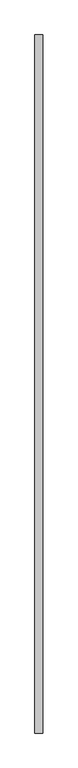
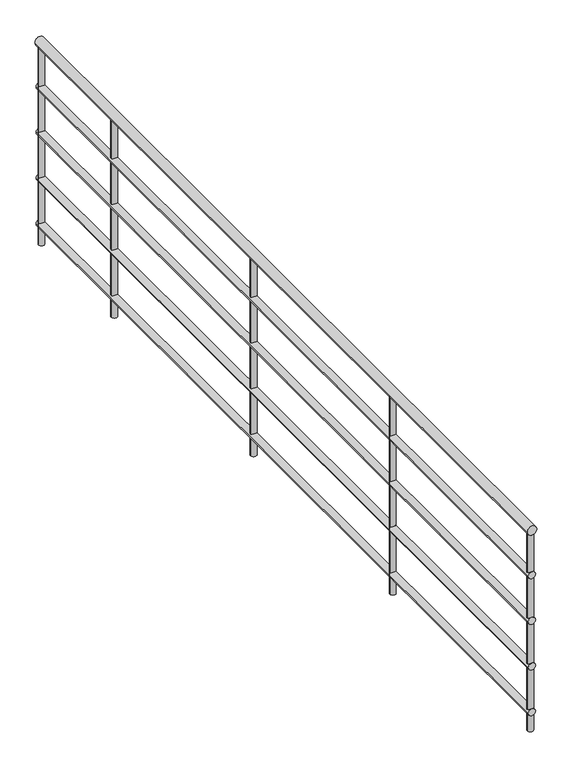
"""IFC4 building model written with IfcOpenShell, lengths in millimetres: railing geometry."""

from ifc_helpers import new_model, si_unit, point, frame, frame_2d, origin, place, context, project, spatial, circle_curve, trimmed, segment, composite_curve, outline, extrude, source, transform, mapped, element, save


def railing_6916b8ec(model_context):
    return source(origin(), model_context, "Body", "SweptSolid", [
        extrude(outline(composite_curve([segment(trimmed(circle_curve(frame_2d((4180.0, 9756.4990812)), 20.0), [point((4180.0, 9776.4990812))], [point((4180.0, 9736.4990812))], False, "CARTESIAN"), True, "CONTINUOUS"), segment(trimmed(circle_curve(frame_2d((4180.0, 9756.4990812)), 20.0), [point((4180.0, 9736.4990812))], [point((4180.0, 9776.4990812))], False, "CARTESIAN"), True, "CONTINUOUS")], self_intersect=False)), frame((0.0, -3090.9936465, 0.0), z_axis=(0.0, 1.0, 0.0), x_axis=(0.0, 0.0, 1.0)), (0.0, 0.0, 1.0), 3534.5485897),
        extrude(outline(composite_curve([segment(trimmed(circle_curve(frame_2d((3985.0, 9756.4990812)), 15.0), [point((3985.0, 9771.4990812))], [point((3985.0, 9741.4990812))], False, "CARTESIAN"), True, "CONTINUOUS"), segment(trimmed(circle_curve(frame_2d((3985.0, 9756.4990812)), 15.0), [point((3985.0, 9741.4990812))], [point((3985.0, 9771.4990812))], False, "CARTESIAN"), True, "CONTINUOUS")], self_intersect=False)), frame((0.0, -3090.9936465, 0.0), z_axis=(0.0, 1.0, 0.0), x_axis=(0.0, 0.0, 1.0)), (0.0, 0.0, 1.0), 3534.5485897),
        extrude(outline(composite_curve([segment(trimmed(circle_curve(frame_2d((3785.0, 9756.4990812)), 15.0), [point((3785.0, 9771.4990812))], [point((3785.0, 9741.4990812))], False, "CARTESIAN"), True, "CONTINUOUS"), segment(trimmed(circle_curve(frame_2d((3785.0, 9756.4990812)), 15.0), [point((3785.0, 9741.4990812))], [point((3785.0, 9771.4990812))], False, "CARTESIAN"), True, "CONTINUOUS")], self_intersect=False)), frame((0.0, -3090.9936465, 0.0), z_axis=(0.0, 1.0, 0.0), x_axis=(0.0, 0.0, 1.0)), (0.0, 0.0, 1.0), 3534.5485897),
        extrude(outline(composite_curve([segment(trimmed(circle_curve(frame_2d((3585.0, 9756.4990812)), 15.0), [point((3585.0, 9771.4990812))], [point((3585.0, 9741.4990812))], False, "CARTESIAN"), True, "CONTINUOUS"), segment(trimmed(circle_curve(frame_2d((3585.0, 9756.4990812)), 15.0), [point((3585.0, 9741.4990812))], [point((3585.0, 9771.4990812))], False, "CARTESIAN"), True, "CONTINUOUS")], self_intersect=False)), frame((0.0, -3090.9936465, 0.0), z_axis=(0.0, 1.0, 0.0), x_axis=(0.0, 0.0, 1.0)), (0.0, 0.0, 1.0), 3534.5485897),
        extrude(outline(composite_curve([segment(trimmed(circle_curve(frame_2d((3385.0, 9756.4990812)), 15.0), [point((3385.0, 9771.4990812))], [point((3385.0, 9741.4990812))], False, "CARTESIAN"), True, "CONTINUOUS"), segment(trimmed(circle_curve(frame_2d((3385.0, 9756.4990812)), 15.0), [point((3385.0, 9741.4990812))], [point((3385.0, 9771.4990812))], False, "CARTESIAN"), True, "CONTINUOUS")], self_intersect=False)), frame((0.0, -3090.9936465, 0.0), z_axis=(0.0, 1.0, 0.0), x_axis=(0.0, 0.0, 1.0)), (0.0, 0.0, 1.0), 3534.5485897),
        extrude(outline(composite_curve([segment(trimmed(circle_curve(frame_2d((9756.4990812, -90.9936465)), 12.5), [point((9768.9990812, -90.9936465))], [point((9743.9990812, -90.9936465))], False, "CARTESIAN"), True, "CONTINUOUS"), segment(trimmed(circle_curve(frame_2d((9756.4990812, -90.9936465)), 12.5), [point((9743.9990812, -90.9936465))], [point((9768.9990812, -90.9936465))], False, "CARTESIAN"), True, "CONTINUOUS")], self_intersect=False)), frame((0.0, 0.0, 3300.0), z_axis=(0.0, 0.0, 1.0), x_axis=(1.0, 0.0, 0.0)), (0.0, 0.0, 1.0), 860.0),
        extrude(outline(composite_curve([segment(trimmed(circle_curve(frame_2d((9756.4990812, -1090.9936465)), 12.5), [point((9768.9990812, -1090.9936465))], [point((9743.9990812, -1090.9936465))], False, "CARTESIAN"), True, "CONTINUOUS"), segment(trimmed(circle_curve(frame_2d((9756.4990812, -1090.9936465)), 12.5), [point((9743.9990812, -1090.9936465))], [point((9768.9990812, -1090.9936465))], False, "CARTESIAN"), True, "CONTINUOUS")], self_intersect=False)), frame((0.0, 0.0, 3300.0), z_axis=(0.0, 0.0, 1.0), x_axis=(1.0, 0.0, 0.0)), (0.0, 0.0, 1.0), 860.0),
        extrude(outline(composite_curve([segment(trimmed(circle_curve(frame_2d((9756.4990812, -2090.9936465)), 12.5), [point((9768.9990812, -2090.9936465))], [point((9743.9990812, -2090.9936465))], False, "CARTESIAN"), True, "CONTINUOUS"), segment(trimmed(circle_curve(frame_2d((9756.4990812, -2090.9936465)), 12.5), [point((9743.9990812, -2090.9936465))], [point((9768.9990812, -2090.9936465))], False, "CARTESIAN"), True, "CONTINUOUS")], self_intersect=False)), frame((0.0, 0.0, 3300.0), z_axis=(0.0, 0.0, 1.0), x_axis=(1.0, 0.0, 0.0)), (0.0, 0.0, 1.0), 860.0),
        extrude(outline(composite_curve([segment(trimmed(circle_curve(frame_2d((9756.4990812, 431.0549432)), 12.5), [point((9768.9990812, 431.0549432))], [point((9743.9990812, 431.0549432))], False, "CARTESIAN"), True, "CONTINUOUS"), segment(trimmed(circle_curve(frame_2d((9756.4990812, 431.0549432)), 12.5), [point((9743.9990812, 431.0549432))], [point((9768.9990812, 431.0549432))], False, "CARTESIAN"), True, "CONTINUOUS")], self_intersect=False)), frame((0.0, 0.0, 3300.0), z_axis=(0.0, 0.0, 1.0), x_axis=(1.0, 0.0, 0.0)), (0.0, 0.0, 1.0), 860.0),
        extrude(outline(composite_curve([segment(trimmed(circle_curve(frame_2d((9756.4990812, -3078.4936465)), 12.5), [point((9768.9990812, -3078.4936465))], [point((9743.9990812, -3078.4936465))], False, "CARTESIAN"), True, "CONTINUOUS"), segment(trimmed(circle_curve(frame_2d((9756.4990812, -3078.4936465)), 12.5), [point((9743.9990812, -3078.4936465))], [point((9768.9990812, -3078.4936465))], False, "CARTESIAN"), True, "CONTINUOUS")], self_intersect=False)), frame((0.0, 0.0, 3300.0), z_axis=(0.0, 0.0, 1.0), x_axis=(1.0, 0.0, 0.0)), (0.0, 0.0, 1.0), 860.0),
    ])


if __name__ == "__main__":
    model = new_model("IFC4")
    model_context = context("Model", 3, world=origin())
    ifc_project = project(units=[si_unit("LENGTHUNIT", "METRE", prefix="MILLI")], contexts=[model_context])
    site = spatial("IfcSite", under=ifc_project)
    building = spatial("IfcBuilding", under=site)
    placement = place(None, origin())
    railing_shape = railing_6916b8ec(model_context)
    element("IfcRailing", 1, at=placement, inside=building, context=model_context, shape_type="MappedRepresentation", body=[
        mapped(railing_shape, transform((0.0, 0.0, 0.0), x_axis=(1.0, 0.0, 0.0), y_axis=(0.0, 1.0, 0.0), z_axis=(0.0, 0.0, 1.0))),
    ])
    save(model, "model.ifc")
